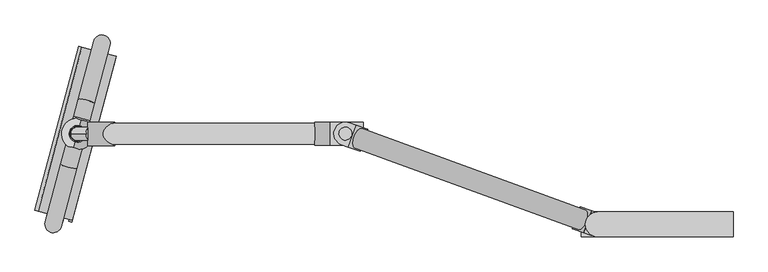
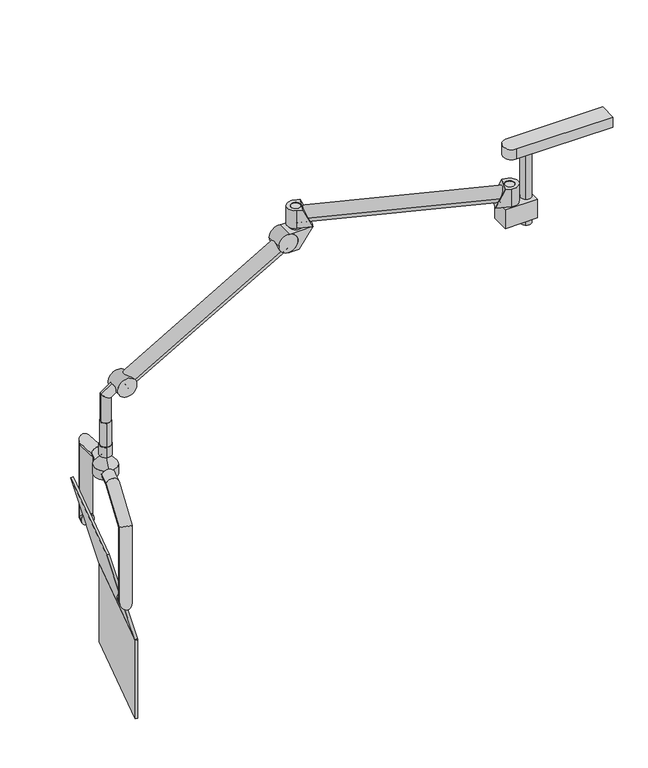
"""IFC4 building model written with IfcOpenShell, lengths in millimetres: proxy geometry."""

from ifc_helpers import new_model, si_unit, point, frame, frame_2d, origin, place, context, project, spatial, polyline, circle_curve, ellipse_curve, trimmed, segment, composite_curve, outline, extrude, source, transform, mapped, element, save
from ifc_brep_helpers import plane_surface, cylinder_surface, revolved_surface, advanced_brep


def specialty_equipment_1cad231d(model_context):
    return source(origin(), model_context, "Body", "SolidModel", [
        extrude(outline(polyline([(-1869.6601599, 503.5104262), (-1860.0009016, 500.9222357), (-1992.4456574, 6.6316779), (-2002.1049157, 9.2198683), (-1869.6601599, 503.5104262)])), frame((0.0, 0.0, 787.3446669), z_axis=(0.0, 0.0, 1.0), x_axis=(1.0, 0.0, 0.0)), (0.0, 0.0, 1.0), 351.9023414),
        extrude(outline(polyline([(0.0, 0.0), (0.0, -412.7339277), (-9.9989941, -415.4131202), (-9.9989941, 0.0), (0.0, 0.0)])), frame((-2104.0602664, 42.8058573, 1537.9176669), z_axis=(0.25881904510252474, 0.9659258262890673, 0.0), x_axis=(-0.9330134003091601, 0.25000018714026057, -0.25881634661159564)), (0.0, 0.0, 1.0), 511.4259107),
        advanced_brep(
        [(-2017.8236129, 18.8829198, 1339.6497344), (-2066.1199042, 31.8238721, 1339.6497344), (-2024.5700245, -6.2950312, 1339.6497344), (-2072.8663158, 6.6459211, 1339.6497344), (-2024.5700245, -6.2950312, 1672.7684842), (-2072.8663158, 6.6459211, 1672.7684842), (-1977.4524876, 169.5500106, 1742.6502344), (-2025.7487789, 182.4909628, 1742.6502344), (-1939.1423514, 312.5253855, 1742.6502344), (-1987.4386427, 325.4663377, 1742.6502344), (-1925.4200244, 363.7378069, 1742.6502344), (-1973.7163157, 376.6787591, 1742.6502344), (-1878.3024875, 539.5828486, 1672.7684842), (-1926.5987788, 552.5238009, 1672.7684842), (-1878.3024875, 539.5828486, 1339.6497344), (-1926.5987788, 552.5238009, 1339.6497344), (-1885.0488991, 514.4048976, 1339.6497344), (-1933.3451904, 527.3458499, 1339.6497344)],
        [
            (0, 1, circle_curve(frame((-2041.9717585, 25.353396, 1339.6497344), z_axis=(0.2588190451025248, 0.9659258262890674, 0.0), x_axis=(-0.9659258262890672, 0.25881904510252474, 0.0)), 25.0)),
            (1, 0, circle_curve(frame((-2041.9717585, 25.353396, 1339.6497344), z_axis=(0.2588190451025248, 0.9659258262890674, 0.0), x_axis=(-0.9659258262890672, 0.25881904510252474, 0.0)), 25.0)),
            (0, 2),
            (2, 3, ellipse_curve(frame((-2048.7181702, 0.175445, 1339.6497344), z_axis=(0.18301270189225088, 0.6830127018922161, -0.7071067811865426), x_axis=(0.18301270189219337, 0.6830127018922211, 0.7071067811865526)), 35.3553391, 25.0)),
            (3, 1),
            (3, 2, ellipse_curve(frame((-2048.7181702, 0.175445, 1339.6497344), z_axis=(0.18301270189225088, 0.6830127018922161, -0.7071067811865426), x_axis=(0.18301270189219337, 0.6830127018922211, 0.7071067811865526)), 35.3553391, 25.0)),
            (2, 4),
            (4, 5, ellipse_curve(frame((-2048.7181702, 0.175445, 1672.7684842), z_axis=(-0.1465967213809662, -0.5471064124169036, -0.8241261886220195), x_axis=(0.2132995531831562, 0.7960447697111781, -0.5664062369248271)), 30.3351603, 25.0)),
            (5, 3),
            (5, 4, ellipse_curve(frame((-2048.7181702, 0.175445, 1672.7684842), z_axis=(-0.1465967213809662, -0.5471064124169036, -0.8241261886220195), x_axis=(0.2132995531831562, 0.7960447697111781, -0.5664062369248271)), 30.3351603, 25.0)),
            (4, 6),
            (6, 7, ellipse_curve(frame((-2001.6006333, 176.0204867, 1742.6502344), z_axis=(-0.25448509626806665, -0.9497513090414943, -0.18223552549215286), x_axis=(0.04716602469167423, 0.1760260005402206, -0.9832549075639534)), 25.4257566, 25.0)),
            (7, 5),
            (7, 6, ellipse_curve(frame((-2001.6006333, 176.0204867, 1742.6502344), z_axis=(-0.25448509626806665, -0.9497513090414943, -0.18223552549215286), x_axis=(0.04716602469167423, 0.1760260005402206, -0.9832549075639534)), 25.4257566, 25.0)),
            (6, 8),
            (8, 9, circle_curve(frame((-1963.290497, 318.9958616, 1742.6502344), z_axis=(-0.2588190451025248, -0.9659258262890674, 0.0), x_axis=(-0.9659258262890672, 0.25881904510252474, 0.0)), 25.0)),
            (9, 7),
            (9, 8, circle_curve(frame((-1963.290497, 318.9958616, 1742.6502344), z_axis=(-0.2588190451025248, -0.9659258262890674, 0.0), x_axis=(-0.9659258262890672, 0.25881904510252474, 0.0)), 25.0)),
            (8, 10),
            (10, 11, ellipse_curve(frame((-1949.5681701, 370.208283, 1742.6502344), z_axis=(-0.25448509626808136, -0.9497513090414929, 0.18223552549213928), x_axis=(-0.047166024691594685, -0.17602600054022716, -0.9832549075639561)), 25.4257566, 25.0)),
            (11, 9),
            (11, 10, ellipse_curve(frame((-1949.5681701, 370.208283, 1742.6502344), z_axis=(-0.25448509626808136, -0.9497513090414929, 0.18223552549213928), x_axis=(-0.047166024691594685, -0.17602600054022716, -0.9832549075639561)), 25.4257566, 25.0)),
            (10, 12),
            (12, 13, ellipse_curve(frame((-1902.4506331, 546.0533247, 1672.7684842), z_axis=(-0.14659672138103286, -0.5471064124168966, 0.8241261886220121), x_axis=(-0.21329955318311036, -0.7960447697111827, -0.5664062369248377)), 30.3351603, 25.0)),
            (13, 11),
            (13, 12, ellipse_curve(frame((-1902.4506331, 546.0533247, 1672.7684842), z_axis=(-0.14659672138103286, -0.5471064124168966, 0.8241261886220121), x_axis=(-0.21329955318311036, -0.7960447697111827, -0.5664062369248377)), 30.3351603, 25.0)),
            (12, 14),
            (14, 15, ellipse_curve(frame((-1902.4506331, 546.0533247, 1339.6497344), z_axis=(0.18301270189219362, 0.683012701892222, 0.7071067811865516), x_axis=(-0.1830127018922506, -0.6830127018922152, 0.7071067811865435)), 35.3553391, 25.0)),
            (15, 13),
            (15, 14, ellipse_curve(frame((-1902.4506331, 546.0533247, 1339.6497344), z_axis=(0.18301270189219362, 0.683012701892222, 0.7071067811865516), x_axis=(-0.1830127018922506, -0.6830127018922152, 0.7071067811865435)), 35.3553391, 25.0)),
            (16, 17, circle_curve(frame((-1909.1970448, 520.8753737, 1339.6497344), z_axis=(-0.2588190451025248, -0.9659258262890674, 0.0), x_axis=(-0.9659258262890672, 0.25881904510252474, 0.0)), 25.0)),
            (17, 16, circle_curve(frame((-1909.1970448, 520.8753737, 1339.6497344), z_axis=(-0.2588190451025248, -0.9659258262890674, 0.0), x_axis=(-0.9659258262890672, 0.25881904510252474, 0.0)), 25.0)),
            (14, 16),
            (17, 15),
        ],
        [
            plane_surface(frame((-2041.9717585, 25.353396, 1339.6497344), z_axis=(0.2588190451025248, 0.9659258262890673, 0.0), x_axis=(-0.9659258262890673, 0.2588190451025248, 0.0))),
            cylinder_surface(frame((-2041.9717585, 25.353396, 1339.6497344), z_axis=(0.25881904510252474, 0.9659258262890672, 0.0), x_axis=(-0.9659258262890672, 0.25881904510252474, 0.0)), 25.0),
            cylinder_surface(frame((-2048.7181702, 0.175445, 1339.6497344), z_axis=(0.0, 0.0, -1.0000000000000002), x_axis=(-0.9659258262890672, 0.25881904510252474, 0.0)), 25.0),
            cylinder_surface(frame((-2048.7181702, 0.175445, 1672.7684842), z_axis=(-0.24162839451239898, -0.9017694448716108, -0.35836794954530765), x_axis=(-0.9659258262890672, 0.25881904510252474, 0.0)), 25.0),
            cylinder_surface(frame((-2001.6006333, 176.0204867, 1742.6502344), z_axis=(-0.25881904510252474, -0.9659258262890672, 0.0), x_axis=(-0.9659258262890672, 0.25881904510252474, 0.0)), 25.0),
            cylinder_surface(frame((-1963.290497, 318.9958616, 1742.6502344), z_axis=(-0.25881904510252474, -0.9659258262890672, 0.0), x_axis=(-0.9659258262890672, 0.25881904510252474, 0.0)), 25.0),
            cylinder_surface(frame((-1949.5681701, 370.208283, 1742.6502344), z_axis=(-0.24162839451242787, -0.9017694448716075, 0.35836794954529466), x_axis=(-0.9659258262890672, 0.25881904510252474, 0.0)), 25.0),
            cylinder_surface(frame((-1902.4506331, 546.0533247, 1672.7684842), z_axis=(0.0, 0.0, 1.0000000000000002), x_axis=(-0.9659258262890672, 0.25881904510252474, 0.0)), 25.0),
            plane_surface(frame((-1909.1970448, 520.8753737, 1339.6497344), z_axis=(-0.2588190451025248, -0.9659258262890673, 0.0), x_axis=(-0.9659258262890673, 0.2588190451025248, 0.0))),
            cylinder_surface(frame((-1902.4506331, 546.0533247, 1339.6497344), z_axis=(0.25881904510252474, 0.9659258262890672, 0.0), x_axis=(-0.9659258262890672, 0.25881904510252474, 0.0)), 25.0),
        ],
        [
            (0, [[1, 2]]),
            (1, [[-1, 3, 4, 5]]),
            (1, [[-2, -5, 6, -3]]),
            (2, [[-4, 7, 8, 9]]),
            (2, [[-6, -9, 10, -7]]),
            (3, [[-8, 11, 12, 13]]),
            (3, [[-10, -13, 14, -11]]),
            (4, [[-12, 15, 16, 17]]),
            (4, [[-14, -17, 18, -15]]),
            (5, [[-16, 19, 20, 21]]),
            (5, [[-18, -21, 22, -19]]),
            (6, [[-20, 23, 24, 25]]),
            (6, [[-22, -25, 26, -23]]),
            (7, [[-24, 27, 28, 29]]),
            (7, [[-26, -29, 30, -27]]),
            (8, [[31, 32]]),
            (9, [[-28, 33, -32, 34]]),
            (9, [[-30, -34, -31, -33]]),
        ],
    ),
        advanced_brep(
        [(-1963.290497, 318.9958616, 1762.6502344), (-1987.8783063, 227.2329081, 1762.6502344), (-1987.8783063, 227.2329081, 1722.6502344), (-1963.290497, 318.9958616, 1722.6502344), (-1971.7272558, 287.5094491, 1802.904341), (-1979.4415475, 258.7193206, 1802.904341), (-1971.7272558, 287.5094491, 1807.6502344), (-1979.4415475, 258.7193206, 1807.6502344), (-1969.1139255, 297.2625305, 1807.6502344), (-1982.0548778, 248.9662392, 1807.6502344), (-1969.1139255, 297.2625305, 1852.6502344), (-1982.0548778, 248.9662392, 1852.6502344), (-1969.8903827, 294.364753, 1852.6502344), (-1981.2784207, 251.8640167, 1852.6502344), (-1969.8903827, 294.364753, 1958.6502344), (-1981.2784207, 251.8640167, 1958.6502344), (-1975.5844017, 273.1143848, 1958.6502344), (-1975.5844017, 273.1143848, 1722.6502344)],
        [
            (0, 1, circle_curve(frame((-1975.5844017, 273.1143848, 1762.6502344), z_axis=(0.0, 0.0, -1.0), x_axis=(-0.25881904510252474, -0.9659258262890672, 0.0)), 47.5)),
            (1, 2),
            (2, 3, circle_curve(frame((-1975.5844017, 273.1143848, 1722.6502344), z_axis=(0.0, 0.0, 1.0), x_axis=(-0.25881904510252474, -0.9659258262890672, 0.0)), 47.5)),
            (3, 0),
            (1, 0, circle_curve(frame((-1975.5844017, 273.1143848, 1762.6502344), z_axis=(0.0, 0.0, -1.0), x_axis=(-0.25881904510252474, -0.9659258262890672, 0.0)), 47.5)),
            (3, 2, circle_curve(frame((-1975.5844017, 273.1143848, 1722.6502344), z_axis=(0.0, 0.0, 1.0), x_axis=(-0.25881904510252474, -0.9659258262890672, 0.0)), 47.5)),
            (4, 5, circle_curve(frame((-1975.5844017, 273.1143848, 1802.904341), z_axis=(0.0, 0.0, -1.0), x_axis=(-0.25881904510252474, -0.9659258262890672, 0.0)), 14.9028671)),
            (5, 1),
            (0, 4),
            (5, 4, circle_curve(frame((-1975.5844017, 273.1143848, 1802.904341), z_axis=(0.0, 0.0, -1.0), x_axis=(-0.25881904510252474, -0.9659258262890672, 0.0)), 14.9028671)),
            (6, 7, circle_curve(frame((-1975.5844017, 273.1143848, 1807.6502344), z_axis=(0.0, 0.0, -1.0), x_axis=(-0.25881904510252474, -0.9659258262890672, 0.0)), 14.9028671)),
            (7, 5),
            (4, 6),
            (7, 6, circle_curve(frame((-1975.5844017, 273.1143848, 1807.6502344), z_axis=(0.0, 0.0, -1.0), x_axis=(-0.25881904510252474, -0.9659258262890672, 0.0)), 14.9028671)),
            (8, 9, circle_curve(frame((-1975.5844017, 273.1143848, 1807.6502344), z_axis=(0.0, 0.0, -1.0), x_axis=(-0.25881904510252474, -0.9659258262890672, 0.0)), 25.0)),
            (9, 7),
            (6, 8),
            (9, 8, circle_curve(frame((-1975.5844017, 273.1143848, 1807.6502344), z_axis=(0.0, 0.0, -1.0), x_axis=(-0.25881904510252474, -0.9659258262890672, 0.0)), 25.0)),
            (10, 11, circle_curve(frame((-1975.5844017, 273.1143848, 1852.6502344), z_axis=(0.0, 0.0, -1.0), x_axis=(-0.25881904510252474, -0.9659258262890672, 0.0)), 25.0)),
            (11, 9),
            (8, 10),
            (11, 10, circle_curve(frame((-1975.5844017, 273.1143848, 1852.6502344), z_axis=(0.0, 0.0, -1.0), x_axis=(-0.25881904510252474, -0.9659258262890672, 0.0)), 25.0)),
            (12, 13, circle_curve(frame((-1975.5844017, 273.1143848, 1852.6502344), z_axis=(0.0, 0.0, -1.0), x_axis=(-0.25881904510252474, -0.9659258262890672, 0.0)), 22.0)),
            (13, 11),
            (10, 12),
            (13, 12, circle_curve(frame((-1975.5844017, 273.1143848, 1852.6502344), z_axis=(0.0, 0.0, -1.0), x_axis=(-0.25881904510252474, -0.9659258262890672, 0.0)), 22.0)),
            (14, 15, circle_curve(frame((-1975.5844017, 273.1143848, 1958.6502344), z_axis=(0.0, 0.0, -1.0), x_axis=(-0.25881904510252474, -0.9659258262890672, 0.0)), 22.0)),
            (15, 13),
            (12, 14),
            (15, 14, circle_curve(frame((-1975.5844017, 273.1143848, 1958.6502344), z_axis=(0.0, 0.0, -1.0), x_axis=(-0.25881904510252474, -0.9659258262890672, 0.0)), 22.0)),
            (16, 15),
            (14, 16),
            (2, 17),
            (17, 3),
        ],
        [
            cylinder_surface(frame((-1975.5844017, 273.1143848, 1958.6502344), z_axis=(0.0, 0.0, 1.0000000000000002), x_axis=(-0.25881904510252474, -0.9659258262890672, 0.0)), 47.5),
            revolved_surface(polyline([(-1987.8783063, 227.2329081, 1762.6502344), (-1979.4415475, 258.7193206, 1802.904341)]), (-1975.5844017, 273.1143848, 1958.6502344), (0.0, 0.0, 1.0000000000000002)),
            cylinder_surface(frame((-1975.5844017, 273.1143848, 1958.6502344), z_axis=(0.0, 0.0, 1.0000000000000002), x_axis=(-0.25881904510252474, -0.9659258262890672, 0.0)), 14.9028671),
            plane_surface(frame((-1975.5844017, 273.1143848, 1807.6502344), z_axis=(0.0, 0.0, -1.0000000000000002), x_axis=(-0.2588190451025248, -0.9659258262890673, 0.0))),
            cylinder_surface(frame((-1975.5844017, 273.1143848, 1958.6502344), z_axis=(0.0, 0.0, 1.0000000000000002), x_axis=(-0.25881904510252474, -0.9659258262890672, 0.0)), 25.0),
            plane_surface(frame((-1975.5844017, 273.1143848, 1852.6502344), z_axis=(0.0, 0.0, 1.0000000000000002), x_axis=(-0.2588190451025248, -0.9659258262890673, 0.0))),
            cylinder_surface(frame((-1975.5844017, 273.1143848, 1958.6502344), z_axis=(0.0, 0.0, 1.0000000000000002), x_axis=(-0.25881904510252474, -0.9659258262890672, 0.0)), 22.0),
            plane_surface(frame((-1975.5844017, 273.1143848, 1958.6502344), z_axis=(0.0, 0.0, 1.0000000000000002), x_axis=(-0.2588190451025248, -0.9659258262890673, 0.0))),
            plane_surface(frame((-1975.5844017, 273.1143848, 1722.6502344), z_axis=(0.0, 0.0, -1.0000000000000002), x_axis=(-0.2588190451025248, -0.9659258262890673, 0.0))),
        ],
        [
            (0, [[1, 2, 3, 4]]),
            (0, [[5, -4, 6, -2]]),
            (1, [[7, 8, -1, 9]]),
            (1, [[10, -9, -5, -8]]),
            (2, [[11, 12, -7, 13]]),
            (2, [[14, -13, -10, -12]]),
            (3, [[15, 16, -11, 17]]),
            (3, [[18, -17, -14, -16]]),
            (4, [[19, 20, -15, 21]]),
            (4, [[22, -21, -18, -20]]),
            (5, [[23, 24, -19, 25]]),
            (5, [[26, -25, -22, -24]]),
            (6, [[27, 28, -23, 29]]),
            (6, [[30, -29, -26, -28]]),
            (7, [[31, -27, 32]]),
            (7, [[-32, -30, -31]]),
            (8, [[-3, 33, 34]]),
            (8, [[-6, -34, -33]]),
        ],
    ),
        extrude(outline(composite_curve([segment(trimmed(circle_curve(frame_2d((-1168.8794069, 272.2001934)), 25.0), [point((-1143.8794069, 272.2001934))], [point((-1193.8794069, 272.2001934))], False, "CARTESIAN"), True, "CONTINUOUS"), segment(trimmed(circle_curve(frame_2d((-1168.8794069, 272.2001934)), 25.0), [point((-1193.8794069, 272.2001934))], [point((-1143.8794069, 272.2001934))], False, "CARTESIAN"), True, "CONTINUOUS")], self_intersect=False)), frame((0.0, 0.0, 2548.0), z_axis=(0.0, 0.0, 1.0), x_axis=(1.0, 0.0, 0.0)), (0.0, 0.0, 1.0), 12.0),
        advanced_brep(
        [(-1926.778586, 273.1030844, 2080.7730457), (-1949.7216435, 273.1030844, 2113.5391275), (-1955.5844017, 273.1030844, 2060.6029965), (-1995.5844017, 273.1030844, 2081.4256785), (-1955.5844017, 273.1030844, 1958.6502344), (-1995.5844017, 273.1030844, 1958.6502344)],
        [
            (0, 1, circle_curve(frame((-1938.2501148, 273.1030844, 2097.1560866), z_axis=(0.819152044288981, 0.0, 0.5735764363510617), x_axis=(-0.5735764363510594, 0.0, 0.8191520442889801)), 20.0)),
            (1, 0, circle_curve(frame((-1938.2501148, 273.1030844, 2097.1560866), z_axis=(0.819152044288981, 0.0, 0.5735764363510617), x_axis=(-0.5735764363510594, 0.0, 0.8191520442889801)), 20.0)),
            (0, 2),
            (2, 3, ellipse_curve(frame((-1975.5844017, 273.1030844, 2071.0143375), z_axis=(0.4617486132350194, 0.0, 0.8870108331782293), x_axis=(0.8870108331782294, 0.0, -0.46174861323501915)), 22.5476389, 20.0)),
            (3, 1),
            (3, 2, ellipse_curve(frame((-1975.5844017, 273.1030844, 2071.0143375), z_axis=(0.4617486132350194, 0.0, 0.8870108331782293), x_axis=(0.8870108331782294, 0.0, -0.46174861323501915)), 22.5476389, 20.0)),
            (4, 5, circle_curve(frame((-1975.5844017, 273.1030844, 1958.6502344), z_axis=(0.0, 0.0, -1.0), x_axis=(-1.0, 0.0, 0.0)), 20.0)),
            (5, 4, circle_curve(frame((-1975.5844017, 273.1030844, 1958.6502344), z_axis=(0.0, 0.0, -1.0), x_axis=(-1.0, 0.0, 0.0)), 20.0)),
            (2, 4),
            (5, 3),
        ],
        [
            plane_surface(frame((-1938.2501148, 268.9039756, 2097.1560866), z_axis=(0.8191520442889818, 0.0, 0.5735764363510605), x_axis=(0.0, 1.0, 0.0))),
            cylinder_surface(frame((-1938.2501148, 273.1030844, 2097.1560866), z_axis=(0.8191520442889825, 0.0, 0.5735764363510627), x_axis=(-0.5735764363510594, 0.0, 0.8191520442889801)), 20.0),
            plane_surface(frame((-1975.5844017, 268.9039756, 1958.6502344), z_axis=(0.0, 0.0, -1.0), x_axis=(0.0, 1.0, 0.0))),
            cylinder_surface(frame((-1975.5844017, 273.1030844, 2071.0143375), z_axis=(0.0, 0.0, 1.0), x_axis=(-1.0, 0.0, 0.0)), 20.0),
        ],
        [
            (0, [[1, 2]]),
            (1, [[-1, 3, 4, 5]]),
            (1, [[-2, -5, 6, -3]]),
            (2, [[7, 8]]),
            (3, [[-4, 9, -8, 10]]),
            (3, [[-6, -10, -7, -9]]),
        ],
    ),
        extrude(outline(composite_curve([segment(trimmed(circle_curve(frame_2d((2100.4607797, -1903.7422575)), 40.5), [point((2120.7107797, -1868.6682286))], [point((2080.2107797, -1938.8162863))], False, "CARTESIAN"), True, "CONTINUOUS"), segment(trimmed(circle_curve(frame_2d((2100.4607797, -1903.7422575)), 40.5), [point((2080.2107797, -1938.8162863))], [point((2120.7107797, -1868.6682286))], False, "CARTESIAN"), True, "CONTINUOUS")], self_intersect=False)), frame((0.0, 237.739894, 0.0), z_axis=(0.0, 1.0, 0.0), x_axis=(0.0, 0.0, 1.0)), (0.0, 0.0, 1.0), 70.0),
        extrude(outline(composite_curve([segment(trimmed(circle_curve(frame_2d((-9.0, 0.0)), 31.5), [point((-9.0, -31.5))], [point((-9.0, 31.5))], False, "CARTESIAN"), True, "CONTINUOUS"), segment(trimmed(circle_curve(frame_2d((-9.0, 0.0)), 31.5), [point((-9.0, 31.5))], [point((-9.0, -31.5))], False, "CARTESIAN"), True, "CONTINUOUS")], self_intersect=False)), frame((-1908.1891126, 273.1030844, 2109.9307257), z_axis=(0.8660254037844334, 0.0, 0.5000000000000092), x_axis=(-0.5000000000000092, 0.0, 0.8660254037844334)), (0.0, 0.0, 1.0), 795.1403574),
        extrude(outline(composite_curve([segment(trimmed(circle_curve(frame_2d((2507.5, -1219.5773635)), 40.5), [point((2507.5, -1179.0773635))], [point((2507.5, -1260.0773635))], False, "CARTESIAN"), True, "CONTINUOUS"), segment(trimmed(circle_curve(frame_2d((2507.5, -1219.5773635)), 40.5), [point((2507.5, -1260.0773635))], [point((2507.5, -1179.0773635))], False, "CARTESIAN"), True, "CONTINUOUS")], self_intersect=False)), frame((0.0, 238.1030844, 0.0), z_axis=(0.0, 1.0, 0.0), x_axis=(0.0, 0.0, 1.0)), (0.0, 0.0, 1.0), 70.0),
        extrude(outline(composite_curve([segment(trimmed(circle_curve(frame_2d((2507.5, -1219.5773635)), 40.5), [point((2548.0, -1219.5773635))], [point((2467.0, -1219.5773635))], True, "CARTESIAN"), True, "CONTINUOUS"), segment(polyline([(2467.0, -1219.5773635), (2467.0, -1175.1152416), (2548.0, -1114.0773635), (2548.0, -1219.5773635)]), True, "CONTINUOUS")], self_intersect=False)), frame((0.0, 238.1030844, 0.0), z_axis=(0.0, 1.0, 0.0), x_axis=(0.0, 0.0, 1.0)), (0.0, 0.0, 1.0), 70.0),
        advanced_brep(
        [(-1135.1231135, 298.8099032, 2639.0), (-1159.0645235, 233.0314197, 2639.0), (-1124.2958965, 220.3766744, 2560.0), (-1100.3544865, 286.1551579, 2560.0), (-1156.2661974, 306.5053564, 2639.0), (-1201.1261442, 285.5868197, 2639.0), (-1180.2076075, 240.7268729, 2639.0), (-1186.5609086, 280.2855075, 2639.0), (-1149.9128964, 266.9467219, 2639.0), (-1156.2661974, 306.5053564, 2560.0), (-1180.2076075, 240.7268729, 2560.0), (-1201.1261442, 285.5868197, 2560.0), (-1186.5609086, 280.2855075, 2560.0), (-1149.9128964, 266.9467219, 2560.0)],
        [
            (0, 1),
            (1, 2),
            (2, 3),
            (3, 0),
            (4, 5, circle_curve(frame((-1168.2369025, 273.6161147, 2639.0), z_axis=(0.0, 0.0, 1.0), x_axis=(0.9396926207859073, -0.3420201433256718, 0.0)), 35.0)),
            (5, 6, circle_curve(frame((-1168.2369025, 273.6161147, 2639.0), z_axis=(0.0, 0.0, 1.0), x_axis=(0.9396926207859073, -0.3420201433256718, 0.0)), 35.0)),
            (6, 1),
            (0, 4),
            (7, 8, circle_curve(frame((-1168.2369025, 273.6161147, 2639.0), z_axis=(0.0, 0.0, -1.0), x_axis=(0.9396926207859073, -0.3420201433256718, 0.0)), 19.5)),
            (8, 7, circle_curve(frame((-1168.2369025, 273.6161147, 2639.0), z_axis=(0.0, 0.0, -1.0), x_axis=(0.9396926207859073, -0.3420201433256718, 0.0)), 19.5)),
            (9, 3),
            (2, 10),
            (10, 11, circle_curve(frame((-1168.2369025, 273.6161147, 2560.0), z_axis=(0.0, 0.0, -1.0), x_axis=(0.9396926207859073, -0.3420201433256718, 0.0)), 35.0)),
            (11, 9, circle_curve(frame((-1168.2369025, 273.6161147, 2560.0), z_axis=(0.0, 0.0, -1.0), x_axis=(0.9396926207859073, -0.3420201433256718, 0.0)), 35.0)),
            (12, 13, circle_curve(frame((-1168.2369025, 273.6161147, 2560.0), z_axis=(0.0, 0.0, 1.0), x_axis=(0.9396926207859073, -0.3420201433256718, 0.0)), 19.5)),
            (13, 12, circle_curve(frame((-1168.2369025, 273.6161147, 2560.0), z_axis=(0.0, 0.0, 1.0), x_axis=(0.9396926207859073, -0.3420201433256718, 0.0)), 19.5)),
            (6, 10),
            (9, 4),
            (7, 12),
            (13, 8),
            (5, 11),
        ],
        [
            plane_surface(frame((-1100.3544865, 286.1551579, 2560.0), z_axis=(0.8509824024295523, -0.3097322643687091, 0.42414015981071607), x_axis=(-0.3420201433256791, -0.9396926207859047, 0.0))),
            plane_surface(frame((-1135.3476607, 261.6454096, 2639.0), z_axis=(0.0, 0.0, 1.0000000000000002), x_axis=(-0.3420201433256718, -0.9396926207859073, 0.0))),
            plane_surface(frame((-1135.3476607, 261.6454096, 2560.0), z_axis=(0.0, 0.0, -1.0000000000000002), x_axis=(0.3420201433256718, 0.9396926207859073, 0.0))),
            plane_surface(frame((-1180.2076075, 240.7268729, 2639.0), z_axis=(-0.34202014332566943, -0.9396926207859082, 0.0), x_axis=(0.0, 0.0, -1.0))),
            plane_surface(frame((-1100.3544865, 286.1551579, 2639.0), z_axis=(0.3420201433256772, 0.9396926207859054, 0.0), x_axis=(0.0, 0.0, -1.0))),
            revolved_surface(polyline([(-1149.9128963946748, 266.94672190514945, 2560.0), (-1149.9128963946748, 266.94672190514945, 2639.0)]), (-1168.2369025, 273.6161147, 2560.0), (0.0, 0.0, -1.0)),
            cylinder_surface(frame((-1168.2369025, 273.6161147, 2560.0), z_axis=(0.0, 0.0, 1.0), x_axis=(0.9396926207859073, -0.3420201433256718, 0.0)), 35.0),
        ],
        [
            (0, [[1, 2, 3, 4]]),
            (1, [[5, 6, 7, -1, 8], [9, 10]]),
            (2, [[11, -3, 12, 13, 14], [15, 16]]),
            (3, [[-12, -2, -7, 17]]),
            (4, [[-11, 18, -8, -4]]),
            (5, [[-9, 19, -16, 20]]),
            (5, [[-10, -20, -15, -19]]),
            (6, [[21, -13, -17, -6]]),
            (6, [[-21, -5, -18, -14]]),
        ],
    ),
        extrude(outline(composite_curve([segment(trimmed(circle_curve(frame_2d((-1168.2369025, 273.6161147)), 19.5), [point((-1149.9128964, 266.9467219))], [point((-1186.5609086, 280.2855075))], False, "CARTESIAN"), True, "CONTINUOUS"), segment(trimmed(circle_curve(frame_2d((-1168.2369025, 273.6161147)), 19.5), [point((-1186.5609086, 280.2855075))], [point((-1149.9128964, 266.9467219))], False, "CARTESIAN"), True, "CONTINUOUS")], self_intersect=False)), frame((0.0, 0.0, 2560.0), z_axis=(0.0, 0.0, 1.0), x_axis=(1.0, 0.0, 0.0)), (0.0, 0.0, 1.0), 77.0),
        advanced_brep(
        [(-449.5965948, -25.1937885, 2639.0), (-425.6551848, 40.584695, 2639.0), (-460.4238118, 53.2394403, 2560.0), (-484.3652218, -12.5390432, 2560.0), (-383.5935641, -11.970705, 2639.0), (-404.5121008, 32.8892417, 2639.0), (-428.4535108, -32.8892417, 2639.0), (-398.1587997, -6.6693928, 2639.0), (-434.8068119, 6.6693928, 2639.0), (-428.4535108, -32.8892417, 2560.0), (-404.5121008, 32.8892417, 2560.0), (-383.5935641, -11.970705, 2560.0), (-398.1587997, -6.6693928, 2560.0), (-434.8068119, 6.6693928, 2560.0)],
        [
            (0, 1),
            (1, 2),
            (2, 3),
            (3, 0),
            (4, 5, circle_curve(frame((-416.4828058, 0.0, 2639.0), z_axis=(0.0, 0.0, 1.0), x_axis=(0.9396926207859073, -0.3420201433256718, 0.0)), 35.0)),
            (5, 1),
            (0, 6),
            (6, 4, circle_curve(frame((-416.4828058, 0.0, 2639.0), z_axis=(0.0, 0.0, 1.0), x_axis=(0.9396926207859073, -0.3420201433256718, 0.0)), 35.0)),
            (7, 8, circle_curve(frame((-416.4828058, 0.0, 2639.0), z_axis=(0.0, 0.0, -1.0), x_axis=(0.9396926207859073, -0.3420201433256718, 0.0)), 19.5)),
            (8, 7, circle_curve(frame((-416.4828058, 0.0, 2639.0), z_axis=(0.0, 0.0, -1.0), x_axis=(0.9396926207859073, -0.3420201433256718, 0.0)), 19.5)),
            (9, 3),
            (2, 10),
            (10, 11, circle_curve(frame((-416.4828058, 0.0, 2560.0), z_axis=(0.0, 0.0, -1.0), x_axis=(0.9396926207859073, -0.3420201433256718, 0.0)), 35.0)),
            (11, 9, circle_curve(frame((-416.4828058, 0.0, 2560.0), z_axis=(0.0, 0.0, -1.0), x_axis=(0.9396926207859073, -0.3420201433256718, 0.0)), 35.0)),
            (12, 13, circle_curve(frame((-416.4828058, 0.0, 2560.0), z_axis=(0.0, 0.0, 1.0), x_axis=(0.9396926207859073, -0.3420201433256718, 0.0)), 19.5)),
            (13, 12, circle_curve(frame((-416.4828058, 0.0, 2560.0), z_axis=(0.0, 0.0, 1.0), x_axis=(0.9396926207859073, -0.3420201433256718, 0.0)), 19.5)),
            (9, 6),
            (5, 10),
            (8, 13),
            (12, 7),
            (11, 4),
        ],
        [
            plane_surface(frame((-425.6551848, 40.584695, 2639.0), z_axis=(-0.8509824024295501, 0.3097322643687114, 0.4241401598107189), x_axis=(-0.3420201433256795, -0.9396926207859045, 0.0))),
            plane_surface(frame((-462.303197, 53.9234805, 2639.0), z_axis=(0.0, 0.0, 1.0), x_axis=(-0.9396926207859084, 0.34202014332566866, 0.0))),
            plane_surface(frame((-462.303197, 53.9234805, 2560.0), z_axis=(0.0, 0.0, -1.0), x_axis=(0.9396926207859084, -0.34202014332566866, 0.0))),
            plane_surface(frame((-484.3652218, -12.5390432, 2639.0), z_axis=(-0.34202014332566166, -0.939692620785911, 0.0), x_axis=(0.0, 0.0, -1.0))),
            plane_surface(frame((-404.5121008, 32.8892417, 2639.0), z_axis=(0.34202014332566866, 0.9396926207859084, 0.0), x_axis=(0.0, 0.0, -1.0))),
            revolved_surface(polyline([(-398.1587996946748, -6.669392794850601, 2560.0), (-398.1587996946748, -6.669392794850601, 2639.0)]), (-416.4828058, 0.0, 2560.0), (0.0, 0.0, -1.0)),
            cylinder_surface(frame((-416.4828058, 0.0, 2560.0), z_axis=(0.0, 0.0, 1.0), x_axis=(0.9396926207859073, -0.3420201433256718, 0.0)), 35.0),
        ],
        [
            (0, [[1, 2, 3, 4]]),
            (1, [[5, 6, -1, 7, 8], [9, 10]]),
            (2, [[11, -3, 12, 13, 14], [15, 16]]),
            (3, [[-11, 17, -7, -4]]),
            (4, [[-12, -2, -6, 18]]),
            (5, [[-10, 19, -15, 20]]),
            (5, [[-9, -20, -16, -19]]),
            (6, [[21, -8, -17, -14]]),
            (6, [[-21, -13, -18, -5]]),
        ],
    ),
        extrude(outline(composite_curve([segment(trimmed(circle_curve(frame_2d((-416.4828058, 0.0)), 19.5), [point((-434.8068119, 6.6693928))], [point((-398.1587997, -6.6693928))], False, "CARTESIAN"), True, "CONTINUOUS"), segment(trimmed(circle_curve(frame_2d((-416.4828058, 0.0)), 19.5), [point((-398.1587997, -6.6693928))], [point((-434.8068119, 6.6693928))], False, "CARTESIAN"), True, "CONTINUOUS")], self_intersect=False)), frame((0.0, 0.0, 2560.0), z_axis=(0.0, 0.0, 1.0), x_axis=(1.0, 0.0, 0.0)), (0.0, 0.0, 1.0), 77.0),
        extrude(outline(composite_curve([segment(trimmed(circle_curve(frame_2d((0.0, -31.5)), 31.5), [point((0.0, -63.0000001))], [point((0.0, 0.0))], False, "CARTESIAN"), True, "CONTINUOUS"), segment(trimmed(circle_curve(frame_2d((0.0, -31.5)), 31.5), [point((0.0, 0.0))], [point((0.0, -63.0000001))], False, "CARTESIAN"), True, "CONTINUOUS")], self_intersect=False)), frame((-405.7091713, 29.6003176, 2598.5), z_axis=(-0.9396926207859073, 0.3420201433256718, 0.0), x_axis=(0.0, 0.0, 1.0)), (0.0, 0.0, 1.0), 800.0),
        extrude(outline(composite_curve([segment(trimmed(circle_curve(frame_2d((-347.1526488, -0.0005707)), 22.0), [point((-358.1526488, -19.0531296))], [point((-336.1526488, 19.0519882))], False, "CARTESIAN"), True, "CONTINUOUS"), segment(trimmed(circle_curve(frame_2d((-347.1526488, -0.0005707)), 22.0), [point((-336.1526488, 19.0519882))], [point((-358.1526488, -19.0531296))], False, "CARTESIAN"), True, "CONTINUOUS")], self_intersect=False)), frame((0.0, 0.0, 2444.4137598), z_axis=(0.0, 0.0, 1.0), x_axis=(1.0, 0.0, 0.0)), (0.0, 0.0, 1.0), 361.4764347),
        extrude(outline(polyline([(-321.604046, -37.5), (-457.0, -37.5), (-457.0, 37.5), (-321.604046, 37.5), (-321.604046, -37.5)])), frame((0.0, 0.0, 2475.0), z_axis=(0.0, 0.0, 1.0), x_axis=(1.0, 0.0, 0.0)), (0.0, 0.0, 1.0), 85.0),
        advanced_brep(
        [(0.0, -37.5, 2770.0), (0.0, 37.5, 2770.0), (0.0, 37.5, 2815.0), (0.0, -37.5, 2815.0), (-407.5062606, -37.5, 2770.0), (-445.0062606, 0.0, 2770.0), (-407.5062606, 37.5, 2770.0), (-407.5062606, 37.5, 2815.0), (-445.0062606, 0.0, 2815.0), (-407.5062606, -37.5, 2815.0)],
        [
            (0, 1),
            (1, 2),
            (2, 3),
            (3, 0),
            (0, 4),
            (4, 5, circle_curve(frame((-407.5062606, 0.0, 2770.0), z_axis=(0.0, 0.0, -1.0), x_axis=(1.0, 0.0, 0.0)), 37.5)),
            (5, 6, circle_curve(frame((-407.5062606, 0.0, 2770.0), z_axis=(0.0, 0.0, -1.0), x_axis=(1.0, 0.0, 0.0)), 37.5)),
            (6, 1),
            (6, 7),
            (7, 2),
            (7, 8, circle_curve(frame((-407.5062606, 0.0, 2815.0), z_axis=(0.0, 0.0, 1.0), x_axis=(1.0, 0.0, 0.0)), 37.5)),
            (8, 9, circle_curve(frame((-407.5062606, 0.0, 2815.0), z_axis=(0.0, 0.0, 1.0), x_axis=(1.0, 0.0, 0.0)), 37.5)),
            (9, 3),
            (9, 4),
        ],
        [
            plane_surface(frame((0.0, -37.5, 2770.0), z_axis=(1.0, 0.0, 0.0), x_axis=(0.0, 1.0, 0.0))),
            plane_surface(frame((0.0, -37.5, 2770.0), z_axis=(0.0, 0.0, -1.0), x_axis=(-1.0, 0.0, 0.0))),
            plane_surface(frame((0.0, 37.5, 2770.0), z_axis=(0.0, 1.0, 0.0), x_axis=(-1.0, 0.0, 0.0))),
            plane_surface(frame((0.0, 37.5, 2815.0), z_axis=(0.0, 0.0, 1.0), x_axis=(-1.0, 0.0, 0.0))),
            plane_surface(frame((0.0, -37.5, 2815.0), z_axis=(0.0, -1.0, 0.0), x_axis=(-1.0, 0.0, 0.0))),
            cylinder_surface(frame((-407.5062606, 0.0, 2728.9661762), z_axis=(0.0, 0.0, -1.0), x_axis=(1.0, 0.0, 0.0)), 37.5),
        ],
        [
            (0, [[1, 2, 3, 4]]),
            (1, [[-1, 5, 6, 7, 8]]),
            (2, [[-2, -8, 9, 10]]),
            (3, [[-3, -10, 11, 12, 13]]),
            (4, [[-4, -13, 14, -5]]),
            (5, [[-7, -6, -14, -12, -11, -9]]),
        ],
    ),
    ])


if __name__ == "__main__":
    model = new_model("IFC4")
    model_context = context("Model", 3, world=origin())
    ifc_project = project(units=[si_unit("LENGTHUNIT", "METRE", prefix="MILLI")], contexts=[model_context])
    site = spatial("IfcSite", under=ifc_project)
    building = spatial("IfcBuilding", under=site)
    placement = place(None, origin())
    specialty_equipment_shape = specialty_equipment_1cad231d(model_context)
    element("IfcBuildingElementProxy", 1, Name="Specialty Equipment", at=placement, inside=building, context=model_context, shape_type="MappedRepresentation", body=[
        mapped(specialty_equipment_shape, transform((0.0, 0.0, 0.0), x_axis=(1.0, 0.0, 0.0), y_axis=(0.0, 1.0, 0.0), z_axis=(0.0, 0.0, 1.0))),
    ])
    save(model, "model.ifc")
